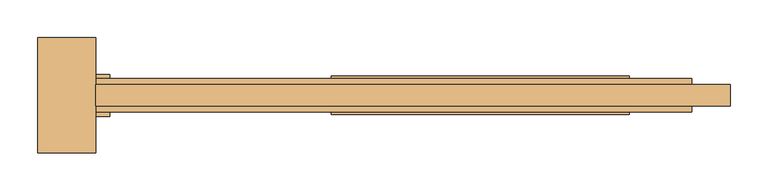
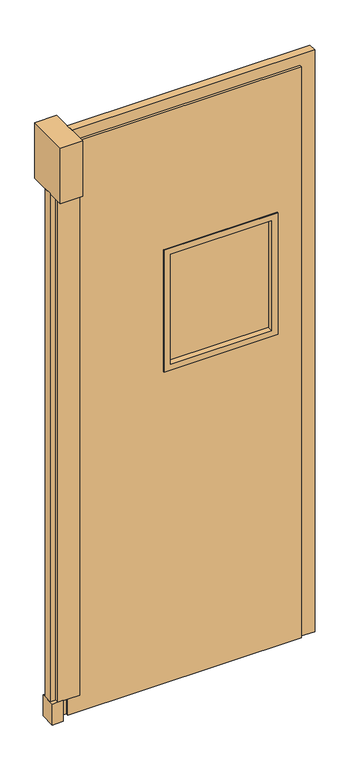
"""IFC4 building model written with IfcOpenShell, lengths in millimetres: door geometry."""

from ifc_helpers import new_model, si_unit, frame, origin, origin_with_axes, place, context, project, spatial, polyline, outline, extrude, source, transform, mapped, element, save


def door_ea07c248(model_context):
    return source(origin(), model_context, "Body", "SweptSolid", [
        extrude(outline(polyline([(1213.7906968, -890.4222938), (1175.6906968, -890.4222938), (1175.6906968, -834.8597938), (1213.7906968, -834.8597938), (1213.7906968, -890.4222938)])), origin_with_axes(), (0.0, 0.0, 1.0), 76.2),
        extrude(outline(polyline([(2095.5, 2039.2906968), (12.7, 2039.2906968), (12.7, 2090.0906968), (2133.6, 2090.0906968), (2133.6, 1251.8906968), (2095.5, 1251.8906968), (2095.5, 2039.2906968)])), frame((0.0, -877.0932133, 0.0), z_axis=(0.0, 1.0, 0.0), x_axis=(0.0, 0.0, 1.0)), (0.0, 0.0, 1.0), 28.8005507),
        extrude(outline(polyline([(1194.7406968, -877.0932133), (1175.6906968, -877.0932133), (1175.6906968, -848.2926626), (1194.7406968, -848.2926626), (1194.7406968, -877.0932133)])), frame((0.0, 0.0, 76.2), z_axis=(0.0, 0.0, 1.0), x_axis=(1.0, 0.0, 0.0)), (0.0, 0.0, 1.0), 1854.2),
        extrude(outline(polyline([(1232.8406968, -877.0932133), (1213.7906968, -877.0932133), (1213.7906968, -848.2926626), (1232.8406968, -848.2926626), (1232.8406968, -877.0932133)])), frame((0.0, 0.0, 12.7), z_axis=(0.0, 0.0, 1.0), x_axis=(1.0, 0.0, 0.0)), (0.0, 0.0, 1.0), 63.5),
        extrude(outline(polyline([(1270.9406968, -890.4222938), (1194.7406968, -890.4222938), (1194.7406968, -834.8597938), (1270.9406968, -834.8597938), (1270.9406968, -890.4222938)])), frame((0.0, 0.0, 76.2), z_axis=(0.0, 0.0, 1.0), x_axis=(1.0, 0.0, 0.0)), (0.0, 0.0, 1.0), 1854.2),
        extrude(outline(polyline([(1251.8906968, -938.8410438), (1175.6906968, -938.8410438), (1175.6906968, -786.4410438), (1251.8906968, -786.4410438), (1251.8906968, -938.8410438)])), frame((0.0, 0.0, 1930.4), z_axis=(0.0, 0.0, 1.0), x_axis=(1.0, 0.0, 0.0)), (0.0, 0.0, 1.0), 203.2),
        extrude(outline(polyline([(1934.5156968, -868.9910438), (1585.2656968, -868.9910438), (1585.2656968, -856.2910438), (1934.5156968, -856.2910438), (1934.5156968, -868.9910438)])), frame((0.0, 0.0, 1171.575), z_axis=(0.0, 0.0, 1.0), x_axis=(1.0, 0.0, 0.0)), (0.0, 0.0, 1.0), 400.05),
        extrude(outline(polyline([(1593.85, 1956.7406968), (1593.85, 1563.0406968), (1149.35, 1563.0406968), (1149.35, 1956.7406968), (1593.85, 1956.7406968)]), holes=[polyline([(1171.575, 1934.5156968), (1171.575, 1585.2656968), (1571.625, 1585.2656968), (1571.625, 1934.5156968), (1171.575, 1934.5156968)])]), frame((0.0, -888.0410438, 0.0), z_axis=(0.0, 1.0, 0.0), x_axis=(0.0, 0.0, 1.0)), (0.0, 0.0, 1.0), 50.8),
        extrude(outline(polyline([(2095.5, 2039.2906968), (2095.5, 1232.8406968), (12.7, 1232.8406968), (12.7, 2039.2906968), (2095.5, 2039.2906968)]), holes=[polyline([(1574.8, 1937.6906968), (1168.4, 1937.6906968), (1168.4, 1582.0906968), (1574.8, 1582.0906968), (1574.8, 1937.6906968)])]), frame((0.0, -884.8660438, 0.0), z_axis=(0.0, 1.0, 0.0), x_axis=(0.0, 0.0, 1.0)), (0.0, 0.0, 1.0), 44.45),
    ])


if __name__ == "__main__":
    model = new_model("IFC4")
    model_context = context("Model", 3, world=origin())
    ifc_project = project(units=[si_unit("LENGTHUNIT", "METRE", prefix="MILLI")], contexts=[model_context])
    site = spatial("IfcSite", under=ifc_project)
    building = spatial("IfcBuilding", under=site)
    placement = place(None, origin())
    door_shape = door_ea07c248(model_context)
    element("IfcDoor", 1, at=placement, inside=building, context=model_context, shape_type="MappedRepresentation", body=[
        mapped(door_shape, transform((0.0, 0.0, 0.0), x_axis=(1.0, 0.0, 0.0), y_axis=(0.0, 1.0, 0.0), z_axis=(0.0, 0.0, 1.0))),
    ])
    save(model, "model.ifc")
